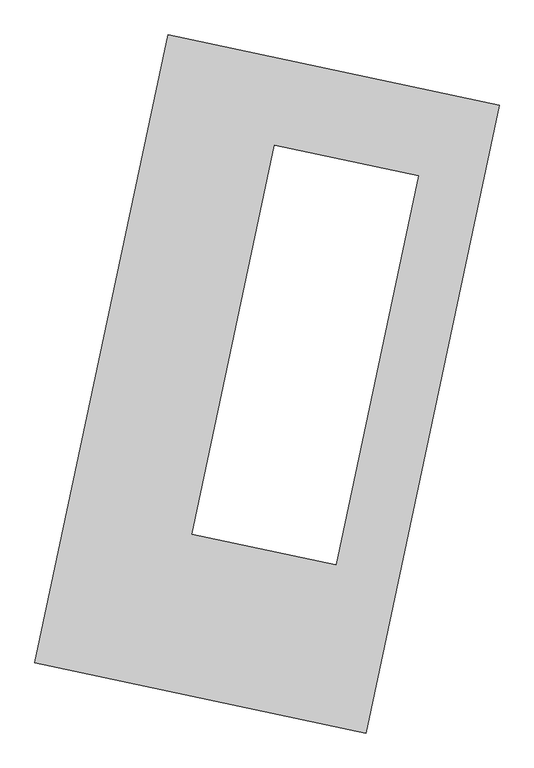
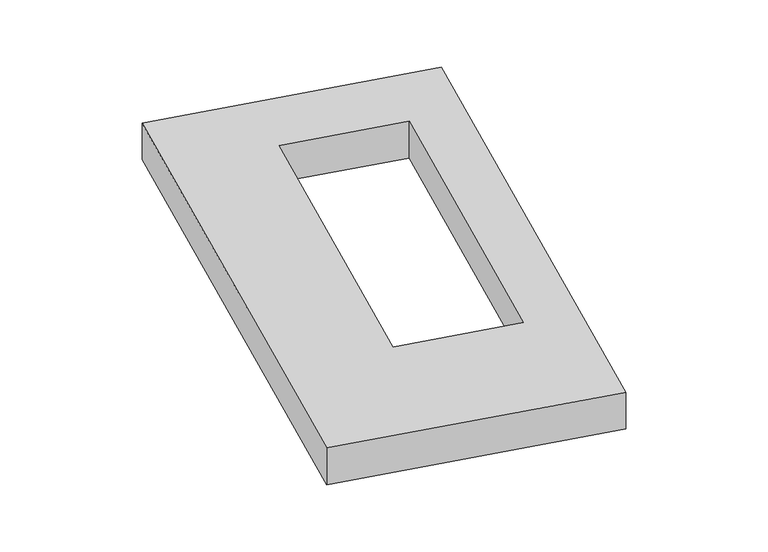
"""IFC4 building model written with IfcOpenShell, lengths in millimetres: proxy geometry."""

from ifc_helpers import new_model, si_unit, origin, origin_with_axes, place, context, project, spatial, polyline, outline, extrude, source, transform, mapped, element, save


def generic_models_e15010a4(model_context):
    return source(origin(), model_context, "Body", "SweptSolid", [
        extrude(outline(polyline([(-617.3692021, 2175.5580432), (1447.7508745, 1737.3010494), (617.3692021, -2175.5580432), (-1447.7508745, -1737.3010494), (-617.3692021, 2175.5580432)]), holes=[polyline([(943.6857543, 1298.214906), (47.5363222, 1488.3945282), (-466.7927781, -935.1865355), (429.356654, -1125.3661577), (943.6857543, 1298.214906)])]), origin_with_axes(), (0.0, 0.0, 1.0), 300.0),
    ])


if __name__ == "__main__":
    model = new_model("IFC4")
    model_context = context("Model", 3, world=origin())
    ifc_project = project(units=[si_unit("LENGTHUNIT", "METRE", prefix="MILLI")], contexts=[model_context])
    site = spatial("IfcSite", under=ifc_project)
    building = spatial("IfcBuilding", under=site)
    placement = place(None, origin())
    generic_models_shape = generic_models_e15010a4(model_context)
    element("IfcBuildingElementProxy", 1, Name="Generic Models", at=placement, inside=building, context=model_context, shape_type="MappedRepresentation", body=[
        mapped(generic_models_shape, transform((0.0, 0.0, 0.0), x_axis=(1.0, 0.0, 0.0), y_axis=(0.0, 1.0, 0.0), z_axis=(0.0, 0.0, 1.0))),
    ])
    save(model, "model.ifc")
